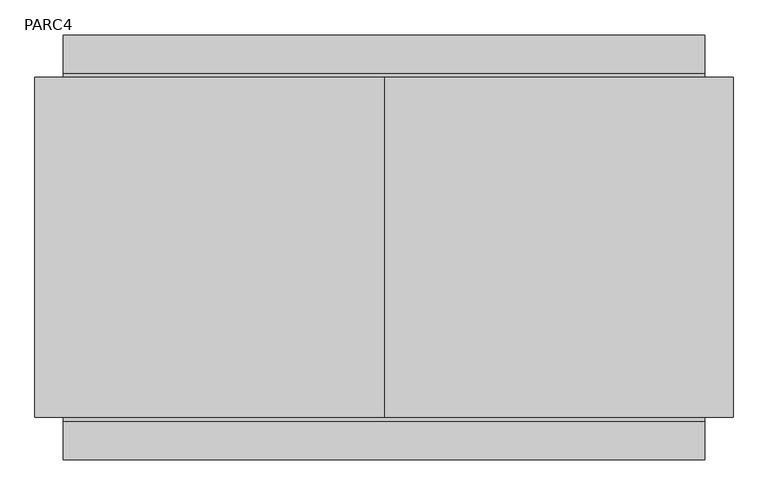
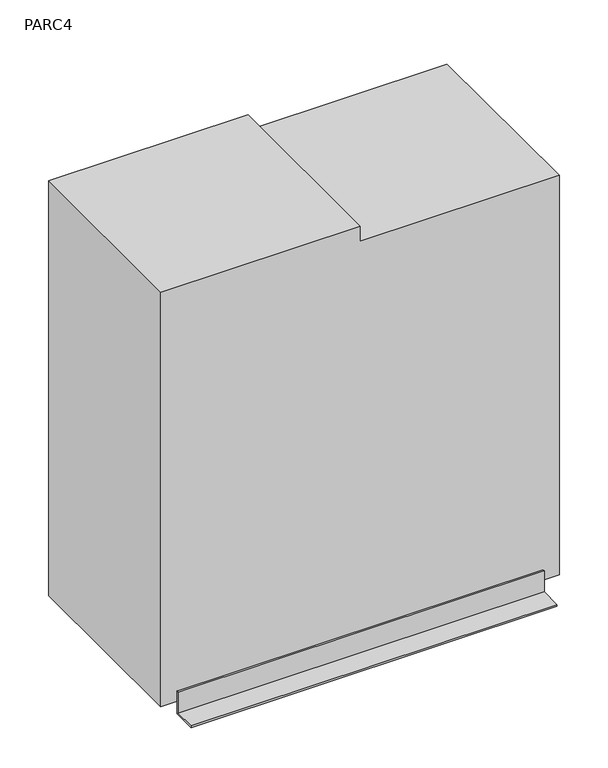
"""IFC4 building model written with IfcOpenShell, lengths in millimetres: proxy geometry, PARC4."""

from ifc_helpers import new_model, si_unit, frame, origin, place, context, project, spatial, polyline, outline, extrude, source, transform, mapped, element, save


def parc4_77b2ec3e(model_context):
    return source(origin(), model_context, "Body", "SweptSolid", [
        extrude(outline(polyline([(40.7657509, 118.5408616), (40.7657509, 1374.14), (1371.6, 1374.14), (1371.6, 746.3404308), (1422.4, 746.3404308), (1422.4, 118.5408616), (40.7657509, 118.5408616)])), frame((0.0, -787.4, 0.0), z_axis=(0.0, 1.0, 0.0), x_axis=(0.0, 0.0, 1.0)), (0.0, 0.0, 1.0), 611.5615935),
        extrude(outline(polyline([(-99.6384065, 0.0), (-175.8384065, 0.0), (-175.8384065, 76.2), (-169.4884065, 76.2), (-169.4884065, 6.35), (-99.6384065, 6.35), (-99.6384065, 0.0)])), frame((169.3408616, 0.0, 0.0), z_axis=(1.0, 0.0, 0.0), x_axis=(0.0, 1.0, 0.0)), (0.0, 0.0, 1.0), 1153.9991384),
        extrude(outline(polyline([(-863.6, 0.0), (-863.6, 6.35), (-793.75, 6.35), (-793.75, 76.2), (-787.4, 76.2), (-787.4, 0.0), (-863.6, 0.0)])), frame((169.3408616, 0.0, 0.0), z_axis=(1.0, 0.0, 0.0), x_axis=(0.0, 1.0, 0.0)), (0.0, 0.0, 1.0), 1153.9991384),
    ])


if __name__ == "__main__":
    model = new_model("IFC4")
    model_context = context("Model", 3, world=origin())
    ifc_project = project(units=[si_unit("LENGTHUNIT", "METRE", prefix="MILLI")], contexts=[model_context])
    site = spatial("IfcSite", under=ifc_project)
    building = spatial("IfcBuilding", under=site)
    placement = place(None, origin())
    parc4_shape = parc4_77b2ec3e(model_context)
    element("IfcBuildingElementProxy", 1, Name="PARC4", ObjectType="PARC4", at=placement, inside=building, context=model_context, shape_type="MappedRepresentation", body=[
        mapped(parc4_shape, transform((0.0, 0.0, 0.0), x_axis=(1.0, 0.0, 0.0), y_axis=(0.0, 1.0, 0.0), z_axis=(0.0, 0.0, 1.0))),
    ])
    save(model, "model.ifc")
